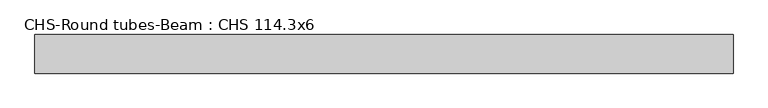
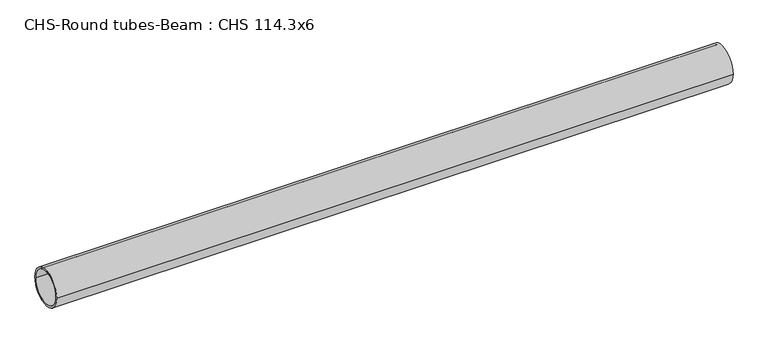
"""IFC4 building model written with IfcOpenShell, lengths in millimetres: beam geometry, CHS-Round tubes-Beam : CHS 114.3x6."""

from ifc_helpers import new_model, si_unit, point, frame, origin, origin_2d, place, context, project, spatial, circle_curve, trimmed, segment, composite_curve, outline, extrude, source, transform, mapped, element, save


def chs_round_tubes_beam_chs_114_3x6_a7039053(model_context):
    return source(origin(), model_context, "Body", "SweptSolid", [
        extrude(outline(composite_curve([segment(trimmed(circle_curve(origin_2d(), 57.15), [point((57.15, 0.0))], [point((-57.15, 0.0))], False, "CARTESIAN"), True, "CONTINUOUS"), segment(trimmed(circle_curve(origin_2d(), 57.15), [point((-57.15, 0.0))], [point((57.15, 0.0))], False, "CARTESIAN"), True, "CONTINUOUS")], self_intersect=False), holes=[composite_curve([segment(trimmed(circle_curve(origin_2d(), 51.15), [point((51.15, 0.0))], [point((-51.15, 0.0))], True, "CARTESIAN"), True, "CONTINUOUS"), segment(trimmed(circle_curve(origin_2d(), 51.15), [point((-51.15, 0.0))], [point((51.15, 0.0))], True, "CARTESIAN"), True, "CONTINUOUS")], self_intersect=False)]), frame((-1001.1495398, 0.0, 0.0), z_axis=(1.0, 0.0, 0.0), x_axis=(0.0, 1.0, 0.0)), (0.0, 0.0, 1.0), 2064.4611394),
    ])


if __name__ == "__main__":
    model = new_model("IFC4")
    model_context = context("Model", 3, world=origin())
    ifc_project = project(units=[si_unit("LENGTHUNIT", "METRE", prefix="MILLI")], contexts=[model_context])
    site = spatial("IfcSite", under=ifc_project)
    building = spatial("IfcBuilding", under=site)
    placement = place(None, origin())
    chs_round_tubes_beam_chs_114_3x6_shape = chs_round_tubes_beam_chs_114_3x6_a7039053(model_context)
    element("IfcBeam", 1, ObjectType="CHS-Round tubes-Beam : CHS 114.3x6", at=placement, inside=building, context=model_context, shape_type="MappedRepresentation", body=[
        mapped(chs_round_tubes_beam_chs_114_3x6_shape, transform((0.0, 0.0, 0.0), x_axis=(1.0, 0.0, 0.0), y_axis=(0.0, 1.0, 0.0), z_axis=(0.0, 0.0, 1.0))),
    ])
    save(model, "model.ifc")
